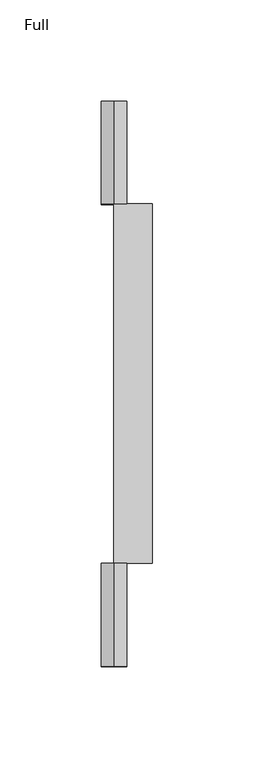
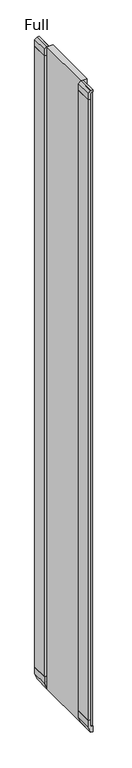
"""IFC4 building model written with IfcOpenShell, lengths in millimetres: furniture geometry, Full."""

from ifc_helpers import new_model, si_unit, frame, origin, place, context, project, spatial, polyline, outline, extrude, faceted_brep, source, transform, mapped, element, save


def full_40bf6083(model_context):
    return source(origin(), model_context, "Body", "SolidModel", [
        faceted_brep([(0.0, -279.4, 28.575), (-3.175, -279.4, 28.575), (-6.35, -279.4, 31.75), (-6.35, -279.4, 49.2125), (-12.7, -279.4, 49.2125), (-12.7, -279.4, 28.575), (-6.35, -279.4, 9.525), (0.0, -279.4, 9.525), (-6.35, -277.8125, 31.75), (-3.175, -277.8125, 28.575), (0.0, -277.8125, 28.575), (0.0, -277.8125, 10.3076132), (-6.35, -277.8125, 10.3076132), (-6.35, -230.1875, 10.3076132), (-6.35, -230.1875, 31.75), (-6.35, -228.6, 31.75), (-6.35, -228.6, 49.2125), (-12.7, -228.6, 49.2125), (-12.7, -228.6, 28.575), (-6.35, -228.6, 9.525), (0.0, -228.6, 9.525), (0.0, -228.6, 28.575), (0.0, -230.1875, 28.575), (0.0, -230.1875, 10.3076132), (-3.175, -230.1875, 28.575), (-3.175, -228.6, 28.575)], [[[0, 1, 2, 3, 4, 5, 6, 7]], [[8, 9, 10, 11, 12]], [[1, 0, 10, 9]], [[2, 1, 9, 8]], [[3, 2, 8, 12, 13, 14, 15, 16]], [[4, 3, 16, 17]], [[5, 4, 17, 18]], [[6, 5, 18, 19]], [[7, 6, 19, 20]], [[0, 7, 20, 21, 22, 23, 11, 10]], [[11, 23, 13, 12]], [[22, 24, 14, 13, 23]], [[16, 15, 25, 21, 20, 19, 18, 17]], [[24, 22, 21, 25]], [[14, 24, 25, 15]]]),
        faceted_brep([(0.0, -1.5875, 28.575), (-3.175, -1.5875, 28.575), (-6.35, -1.5875, 31.75), (-6.35, -1.5875, 10.3076132), (0.0, -1.5875, 10.3076132), (-6.35, 0.0, 49.2125), (-6.35, 0.0, 31.75), (-3.175, 0.0, 28.575), (0.0, 0.0, 28.575), (0.0, 0.0, 9.525), (-6.35, 0.0, 9.525), (-12.7, 0.0, 28.575), (-12.7, 0.0, 49.2125), (-12.7, -50.8, 49.2125), (-6.35, -50.8, 49.2125), (-12.7, -50.8, 28.575), (-6.35, -50.8, 9.525), (0.0, -50.8, 9.525), (0.0, -49.2125, 10.3076132), (0.0, -49.2125, 28.575), (0.0, -50.8, 28.575), (-6.35, -50.8, 31.75), (-6.35, -49.2125, 31.75), (-6.35, -49.2125, 10.3076132), (-3.175, -50.8, 28.575), (-3.175, -49.2125, 28.575)], [[[0, 1, 2, 3, 4]], [[5, 6, 7, 8, 9, 10, 11, 12]], [[5, 12, 13, 14]], [[13, 12, 11, 15]], [[15, 11, 10, 16]], [[16, 10, 9, 17]], [[17, 9, 8, 0, 4, 18, 19, 20]], [[1, 0, 8, 7]], [[2, 1, 7, 6]], [[6, 5, 14, 21, 22, 23, 3, 2]], [[18, 4, 3, 23]], [[13, 15, 16, 17, 20, 24, 21, 14]], [[22, 25, 19, 18, 23]], [[24, 20, 19, 25]], [[21, 24, 25, 22]]]),
        faceted_brep([(-6.35, -50.8, 2041.525), (-12.7, -50.8, 2035.175), (-12.7, -50.8, 2014.5375), (-6.35, -50.8, 2014.5375), (-6.35, -50.8, 2032.0), (-3.175, -50.8, 2035.175), (0.0, -50.8, 2035.175), (0.0, -50.8, 2041.525), (0.0, -49.2125, 2035.175), (-3.175, -49.2125, 2035.175), (-6.35, -49.2125, 2032.0), (-6.35, -49.2125, 2040.7163798), (0.0, -49.2125, 2040.7163798), (-6.35, 0.0, 2041.525), (-12.7, 0.0, 2035.175), (-12.7, 0.0, 2014.5375), (-6.35, 0.0, 2014.5375), (-6.35, 0.0, 2032.0), (-6.35, -1.5875, 2032.0), (-6.35, -1.5875, 2040.7163798), (0.0, -1.5875, 2040.7163798), (0.0, -1.5875, 2035.175), (0.0, 0.0, 2035.175), (0.0, 0.0, 2041.525), (-3.175, -1.5875, 2035.175), (-3.175, 0.0, 2035.175)], [[[0, 1, 2, 3, 4, 5, 6, 7]], [[8, 9, 10, 11, 12]], [[1, 0, 13, 14]], [[2, 1, 14, 15]], [[3, 2, 15, 16]], [[4, 3, 16, 17, 18, 19, 11, 10]], [[5, 4, 10, 9]], [[6, 5, 9, 8]], [[7, 6, 8, 12, 20, 21, 22, 23]], [[13, 0, 7, 23]], [[11, 19, 20, 12]], [[18, 24, 21, 20, 19]], [[13, 23, 22, 25, 17, 16, 15, 14]], [[24, 18, 17, 25]], [[21, 24, 25, 22]]]),
        faceted_brep([(-6.35, -279.4, 2041.525), (-12.7, -279.4, 2035.175), (-12.7, -279.4, 2014.5375), (-6.35, -279.4, 2014.5375), (-6.35, -279.4, 2032.0), (-3.175, -279.4, 2035.175), (0.0, -279.4, 2035.175), (0.0, -279.4, 2041.525), (0.0, -277.8125, 2035.175), (-3.175, -277.8125, 2035.175), (-6.35, -277.8125, 2032.0), (-6.35, -277.8125, 2040.7163798), (0.0, -277.8125, 2040.7163798), (-6.35, -228.6, 2041.525), (-12.7, -228.6, 2035.175), (-12.7, -228.6, 2014.5375), (-6.35, -228.6, 2014.5375), (-6.35, -228.6, 2032.0), (-6.35, -230.1875, 2032.0), (-6.35, -230.1875, 2040.7163798), (0.0, -230.1875, 2040.7163798), (0.0, -230.1875, 2035.175), (0.0, -228.6, 2035.175), (0.0, -228.6, 2041.525), (-3.175, -230.1875, 2035.175), (-3.175, -228.6, 2035.175)], [[[0, 1, 2, 3, 4, 5, 6, 7]], [[8, 9, 10, 11, 12]], [[1, 0, 13, 14]], [[2, 1, 14, 15]], [[3, 2, 15, 16]], [[4, 3, 16, 17, 18, 19, 11, 10]], [[5, 4, 10, 9]], [[6, 5, 9, 8]], [[7, 6, 8, 12, 20, 21, 22, 23]], [[13, 0, 7, 23]], [[11, 19, 20, 12]], [[18, 24, 21, 20, 19]], [[13, 23, 22, 25, 17, 16, 15, 14]], [[24, 18, 17, 25]], [[21, 24, 25, 22]]]),
        extrude(outline(polyline([(0.0, -230.1875), (0.0, -277.8125), (-6.35, -277.8125), (-6.35, -230.1875), (0.0, -230.1875)])), frame((0.0, 0.0, 10.3076132), z_axis=(0.0, 0.0, 1.0), x_axis=(1.0, 0.0, 0.0)), (0.0, 0.0, 1.0), 2030.4087666),
        extrude(outline(polyline([(0.0, -1.5875), (0.0, -49.2125), (-6.35, -49.2125), (-6.35, -1.5875), (0.0, -1.5875)])), frame((0.0, 0.0, 10.3076132), z_axis=(0.0, 0.0, 1.0), x_axis=(1.0, 0.0, 0.0)), (0.0, 0.0, 1.0), 2030.4087666),
        extrude(outline(polyline([(0.0, -6.35), (0.0, 0.0), (50.8, 0.0), (50.8, -6.35), (0.0, -6.35)])), frame((-12.7, -50.8, 49.2125), z_axis=(-1.0049294729697115e-11, 0.0, 1.0), x_axis=(0.0, 1.0, 0.0)), (0.0, 0.0, 1.0), 1965.325),
        extrude(outline(polyline([(0.0, -6.35), (0.0, 0.0), (50.8, 0.0), (50.8, -6.35), (0.0, -6.35)])), frame((-12.7, -279.4, 49.2125), z_axis=(7.195577467203362e-12, 0.0, 1.0), x_axis=(0.0, 1.0, 0.0)), (0.0, 0.0, 1.0), 1965.325),
        extrude(outline(polyline([(12.7, -50.8), (12.7, -228.6), (-6.35, -228.6), (-6.35, -50.8), (12.7, -50.8)])), frame((0.0, 0.0, 9.525), z_axis=(0.0, 0.0, 1.0), x_axis=(1.0, 0.0, 0.0)), (0.0, 0.0, 1.0), 2032.0),
    ])


if __name__ == "__main__":
    model = new_model("IFC4")
    model_context = context("Model", 3, world=origin())
    ifc_project = project(units=[si_unit("LENGTHUNIT", "METRE", prefix="MILLI")], contexts=[model_context])
    site = spatial("IfcSite", under=ifc_project)
    building = spatial("IfcBuilding", under=site)
    placement = place(None, origin())
    full_shape = full_40bf6083(model_context)
    element("IfcFurniture", 1, ObjectType="Full", at=placement, inside=building, context=model_context, shape_type="MappedRepresentation", body=[
        mapped(full_shape, transform((0.0, 0.0, 0.0), x_axis=(1.0, 0.0, 0.0), y_axis=(0.0, 1.0, 0.0), z_axis=(0.0, 0.0, 1.0))),
    ])
    save(model, "model.ifc")
